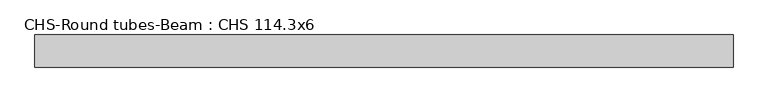
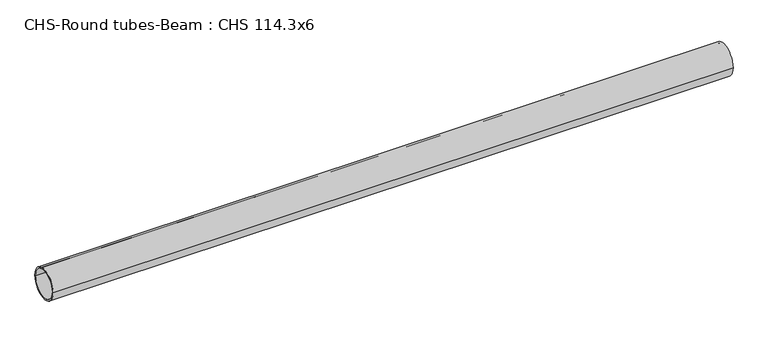
"""IFC4 building model written with IfcOpenShell, lengths in millimetres: beam geometry, CHS-Round tubes-Beam : CHS 114.3x6."""

import ifcopenshell
import ifcopenshell.guid

model = None  # the IFC model being written
_history = None  # IfcOwnerHistory: only IFC2X3 demands one
_inside = {}  # id of a spatial element -> (the spatial element, [elements in it])
_under = {}  # id of a project, library or spatial element -> (it, [spatial elements below it])
_declared = {}  # id of a project -> (the project, [libraries it declares])
_typed = {}  # id of a type object -> (the type object, [elements of that type])
_made_of = {}  # id of a material, layer set ... -> (it, [elements and type objects made of it])


def new_model(schema):
    """Start an empty IFC model of exactly this schema.

    Asked for "IFC4X3", IfcOpenShell would pick the latest addendum, in which some entities
    have other attributes; the version numbers below select the first issue.
    IFC2X3 requires an IfcOwnerHistory on every rooted entity: one is made here for all.
    """
    global model, _history
    if schema == "IFC4X3":
        model = ifcopenshell.file(schema_version=(4, 3, 0, 0))
    else:
        model = ifcopenshell.file(schema=schema)
    _inside.clear()
    _under.clear()
    _declared.clear()
    _typed.clear()
    _made_of.clear()
    _history = None
    if model.schema == "IFC2X3":
        org = make("IfcOrganization", Name="unknown")
        user = make(
            "IfcPersonAndOrganization",
            ThePerson=make("IfcPerson", FamilyName="unknown"),
            TheOrganization=org,
        )
        app = make(
            "IfcApplication",
            ApplicationDeveloper=org,
            Version="unknown",
            ApplicationFullName="unknown",
            ApplicationIdentifier="unknown",
        )
        _history = make(
            "IfcOwnerHistory",
            OwningUser=user,
            OwningApplication=app,
            ChangeAction="ADDED",
            CreationDate=0,
        )
    return model


def make(cls, **values):
    """One entity of the class cls with the attributes given. An attribute that is None is left unset."""
    return model.create_entity(
        cls, **{name: value for name, value in values.items() if value is not None}
    )


def rooted(cls, **values):
    """An entity with a GlobalId (a new one), such as an element, a storey or a relation."""
    return make(cls, GlobalId=ifcopenshell.guid.new(), OwnerHistory=_history, **values)


def si_unit(unit_type, name, prefix=None):
    """IfcSIUnit, for example si_unit("LENGTHUNIT", "METRE", prefix="MILLI")."""
    return make("IfcSIUnit", UnitType=unit_type, Prefix=prefix, Name=name)


def assignment(units):
    """IfcUnitAssignment: the units of a project."""
    return None if units is None else make("IfcUnitAssignment", Units=units)


def point(xyz):
    """IfcCartesianPoint."""
    return None if xyz is None else make("IfcCartesianPoint", Coordinates=xyz)


def direction(xyz):
    """IfcDirection."""
    return None if xyz is None else make("IfcDirection", DirectionRatios=xyz)


def frame(location, z_axis=None, x_axis=None):
    """IfcAxis2Placement3D, a coordinate frame: its origin and axes. An axis left out is left unset."""
    return make(
        "IfcAxis2Placement3D",
        Location=point(location),
        Axis=direction(z_axis),
        RefDirection=direction(x_axis),
    )


def frame_2d(location, x_axis=None):
    """IfcAxis2Placement2D, a coordinate frame in the plane: its origin and x axis."""
    return make(
        "IfcAxis2Placement2D", Location=point(location), RefDirection=direction(x_axis)
    )


def origin():
    """The frame at (0, 0, 0) with its axes left unset."""
    return frame((0.0, 0.0, 0.0))


def origin_2d():
    """The frame at (0, 0) in the plane with its x axis left unset."""
    return frame_2d((0.0, 0.0))


def place(relative_to, where):
    """IfcLocalPlacement: puts the frame where relative to a parent placement (None: the world)."""
    return make(
        "IfcLocalPlacement", PlacementRelTo=relative_to, RelativePlacement=where
    )


def context(
    kind, dimensions, precision=None, world=None, true_north=None, identifier=None
):
    """IfcGeometricRepresentationContext, for example the 3D "Model" context."""
    return make(
        "IfcGeometricRepresentationContext",
        ContextIdentifier=identifier,
        ContextType=kind,
        CoordinateSpaceDimension=dimensions,
        Precision=precision,
        WorldCoordinateSystem=world,
        TrueNorth=true_north,
    )


def project(units=None, contexts=None):
    """IfcProject with its units and contexts."""
    return rooted(
        "IfcProject",
        Name="project",
        RepresentationContexts=contexts,
        UnitsInContext=assignment(units),
    )


def spatial(cls, under=None, at=None, **own):
    """A site, building, storey or space (cls), placed at a placement, below another one or the project."""
    s = rooted(cls, ObjectPlacement=at, **own)
    if under is not None:
        _under.setdefault(under.id(), (under, []))[1].append(s)
    return s


def circle_curve(where, radius):
    """IfcCircle in the frame where."""
    return make("IfcCircle", Position=where, Radius=radius)


def trimmed(basis, trim1, trim2, sense, master):
    """IfcTrimmedCurve: the piece of a basis curve between two trims."""
    return make(
        "IfcTrimmedCurve",
        BasisCurve=basis,
        Trim1=trim1,
        Trim2=trim2,
        SenseAgreement=sense,
        MasterRepresentation=master,
    )


def segment(curve, same_sense, transition):
    """IfcCompositeCurveSegment."""
    return make(
        "IfcCompositeCurveSegment",
        Transition=transition,
        SameSense=same_sense,
        ParentCurve=curve,
    )


def composite_curve(segments, self_intersect=None):
    """IfcCompositeCurve: segments joined end to end."""
    return make("IfcCompositeCurve", Segments=segments, SelfIntersect=self_intersect)


def outline(outer, holes=None, kind="AREA"):
    """IfcArbitraryClosedProfileDef: a profile drawn as a closed curve; with holes, ...WithVoids."""
    if holes is None:
        return make("IfcArbitraryClosedProfileDef", ProfileType=kind, OuterCurve=outer)
    return make(
        "IfcArbitraryProfileDefWithVoids",
        ProfileType=kind,
        OuterCurve=outer,
        InnerCurves=holes,
    )


def extrude(swept, where, along, depth):
    """IfcExtrudedAreaSolid: the profile swept, set in the frame where, extruded along a direction by depth."""
    return make(
        "IfcExtrudedAreaSolid",
        SweptArea=swept,
        Position=where,
        ExtrudedDirection=direction(along),
        Depth=depth,
    )


def shape(context_of_items, identifier, shape_type, items):
    """IfcShapeRepresentation: the items that make up one representation, for example the "Body"."""
    return make(
        "IfcShapeRepresentation",
        ContextOfItems=context_of_items,
        RepresentationIdentifier=identifier,
        RepresentationType=shape_type,
        Items=items,
    )


def source(mapping_origin, context_of_items, identifier, shape_type, items):
    """IfcRepresentationMap: a shape defined once, which mapped items show again and again."""
    return make(
        "IfcRepresentationMap",
        MappingOrigin=mapping_origin,
        MappedRepresentation=shape(context_of_items, identifier, shape_type, items),
    )


def transform(
    local_origin,
    x_axis=None,
    y_axis=None,
    z_axis=None,
    scale=None,
    scale2=None,
    scale3=None,
    uniform=True,
):
    """IfcCartesianTransformationOperator3D, or its non-uniform kind. x_axis, y_axis, z_axis: its Axis1, 2, 3."""
    if uniform:
        return make(
            "IfcCartesianTransformationOperator3D",
            Axis1=direction(x_axis),
            Axis2=direction(y_axis),
            LocalOrigin=point(local_origin),
            Scale=scale,
            Axis3=direction(z_axis),
        )
    return make(
        "IfcCartesianTransformationOperator3DnonUniform",
        Axis1=direction(x_axis),
        Axis2=direction(y_axis),
        LocalOrigin=point(local_origin),
        Scale=scale,
        Axis3=direction(z_axis),
        Scale2=scale2,
        Scale3=scale3,
    )


def mapped(mapping_source, mapping_target):
    """IfcMappedItem: shows the shape of a source again, moved by a transform."""
    return make(
        "IfcMappedItem", MappingSource=mapping_source, MappingTarget=mapping_target
    )


def made_of(thing, what):
    """Note that an element or type object is made of a material, layer set ...; save() writes the relation."""
    if what is not None:
        _made_of.setdefault(what.id(), (what, []))[1].append(thing)
    return thing


def element(
    cls,
    number,
    at=None,
    inside=None,
    cuts=None,
    type_object=None,
    material=None,
    context=None,
    identifier="Body",
    shape_type=None,
    held_by="IfcProductDefinitionShape",
    body=None,
    shapes=None,
    **own,
):
    """One element of the class cls, such as IfcWall. Its Tag is "e" and its number.

    at: its placement. inside: the storey or other place that contains it. cuts: it is an
    opening in that element (IfcRelVoidsElement). A single representation is given by context,
    identifier, shape_type and body (its items); several are given by shapes. held_by: the class
    of the entity that holds the representations. save() writes the other relations.
    """
    e = rooted(cls, Tag="e%d" % number, ObjectPlacement=at, **own)
    if body is not None:
        shapes = [shape(context, identifier, shape_type, body)]
    if shapes is not None:
        e.Representation = make(held_by, Representations=shapes)
    if inside is not None:
        _inside.setdefault(inside.id(), (inside, []))[1].append(e)
    if cuts is not None:
        rooted(
            "IfcRelVoidsElement", RelatingBuildingElement=cuts, RelatedOpeningElement=e
        )
    if type_object is not None:
        _typed.setdefault(type_object.id(), (type_object, []))[1].append(e)
    return made_of(e, material)


def aggregate(whole, parts):
    """IfcRelAggregates: a whole, such as a stair, and the parts it consists of."""
    return rooted("IfcRelAggregates", RelatingObject=whole, RelatedObjects=parts)


def save(model, path):
    """Write the relations noted so far, then the file.

    IfcRelAggregates (storeys below a building ...), IfcRelContainedInSpatialStructure (elements
    in a storey), IfcRelDefinesByType, IfcRelAssociatesMaterial and IfcRelDeclares: one each for
    every whole, place, type object, material and project.
    """
    for whole, parts in _under.values():
        aggregate(whole, parts)
    for where, things in _inside.values():
        rooted(
            "IfcRelContainedInSpatialStructure",
            RelatedElements=things,
            RelatingStructure=where,
        )
    for kind, things in _typed.values():
        rooted("IfcRelDefinesByType", RelatedObjects=things, RelatingType=kind)
    for what, things in _made_of.values():
        rooted("IfcRelAssociatesMaterial", RelatedObjects=things, RelatingMaterial=what)
    for by, libraries in _declared.values():
        rooted("IfcRelDeclares", RelatingContext=by, RelatedDefinitions=libraries)
    model.write(path)


def chs_round_tubes_beam_chs_114_3x6_49bf6d35(model_context):
    return source(origin(), model_context, "Body", "SweptSolid", [
        extrude(outline(composite_curve([segment(trimmed(circle_curve(origin_2d(), 57.15), [point((57.15, 0.0))], [point((-57.15, 0.0))], False, "CARTESIAN"), True, "CONTINUOUS"), segment(trimmed(circle_curve(origin_2d(), 57.15), [point((-57.15, 0.0))], [point((57.15, 0.0))], False, "CARTESIAN"), True, "CONTINUOUS")], self_intersect=False), holes=[composite_curve([segment(trimmed(circle_curve(origin_2d(), 51.15), [point((51.15, 0.0))], [point((-51.15, 0.0))], True, "CARTESIAN"), True, "CONTINUOUS"), segment(trimmed(circle_curve(origin_2d(), 51.15), [point((-51.15, 0.0))], [point((51.15, 0.0))], True, "CARTESIAN"), True, "CONTINUOUS")], self_intersect=False)]), frame((-1186.9405432, 0.0, 0.0), z_axis=(1.0, 0.0, 0.0), x_axis=(0.0, 1.0, 0.0)), (0.0, 0.0, 1.0), 2481.356251),
    ])


if __name__ == "__main__":
    model = new_model("IFC4")
    model_context = context("Model", 3, world=origin())
    ifc_project = project(units=[si_unit("LENGTHUNIT", "METRE", prefix="MILLI")], contexts=[model_context])
    site = spatial("IfcSite", under=ifc_project)
    building = spatial("IfcBuilding", under=site)
    placement = place(None, origin())
    chs_round_tubes_beam_chs_114_3x6_shape = chs_round_tubes_beam_chs_114_3x6_49bf6d35(model_context)
    element("IfcBeam", 1, ObjectType="CHS-Round tubes-Beam : CHS 114.3x6", at=placement, inside=building, context=model_context, shape_type="MappedRepresentation", body=[
        mapped(chs_round_tubes_beam_chs_114_3x6_shape, transform((0.0, 0.0, 0.0), x_axis=(1.0, 0.0, 0.0), y_axis=(0.0, 1.0, 0.0), z_axis=(0.0, 0.0, 1.0))),
    ])
    save(model, "model.ifc")
